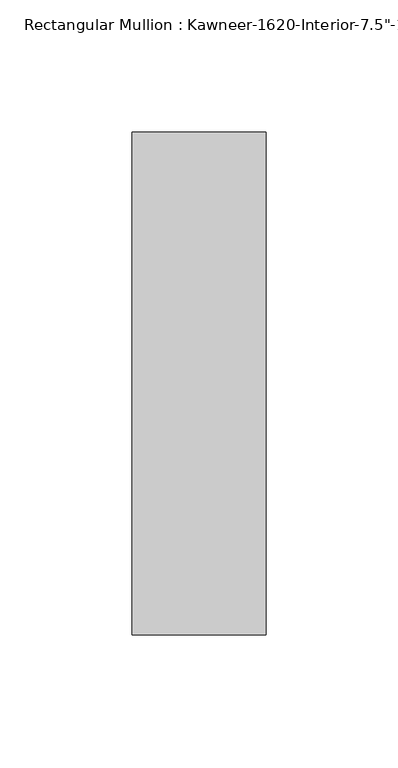
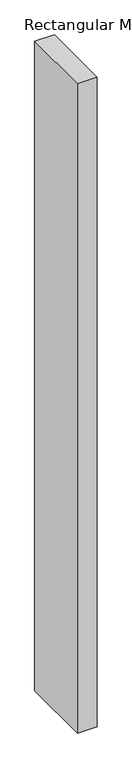
"""IFC4 building model written with IfcOpenShell, lengths in millimetres: member geometry."""

from ifc_helpers import new_model, si_unit, frame, origin, place, context, project, spatial, polyline, outline, extrude, source, transform, mapped, element, save


def member_1e70352c(model_context):
    return source(origin(), model_context, "Body", "SweptSolid", [
        extrude(outline(polyline([(25.4, 152.4), (25.4, -38.1), (-25.4, -38.1), (-25.4, 152.4), (25.4, 152.4)])), frame((0.0, 0.0, -1765.3), z_axis=(0.0, 0.0, 1.0), x_axis=(1.0, 0.0, 0.0)), (0.0, 0.0, 1.0), 1765.3),
    ])


if __name__ == "__main__":
    model = new_model("IFC4")
    model_context = context("Model", 3, world=origin())
    ifc_project = project(units=[si_unit("LENGTHUNIT", "METRE", prefix="MILLI")], contexts=[model_context])
    site = spatial("IfcSite", under=ifc_project)
    building = spatial("IfcBuilding", under=site)
    placement = place(None, origin())
    member_shape = member_1e70352c(model_context)
    element("IfcMember", 1, ObjectType="Rectangular Mullion : Kawneer-1620-Interior-7.5\"-1\"Infill", at=placement, inside=building, context=model_context, shape_type="MappedRepresentation", body=[
        mapped(member_shape, transform((0.0, 0.0, 0.0), x_axis=(1.0, 0.0, 0.0), y_axis=(0.0, 1.0, 0.0), z_axis=(0.0, 0.0, 1.0))),
    ])
    save(model, "model.ifc")
